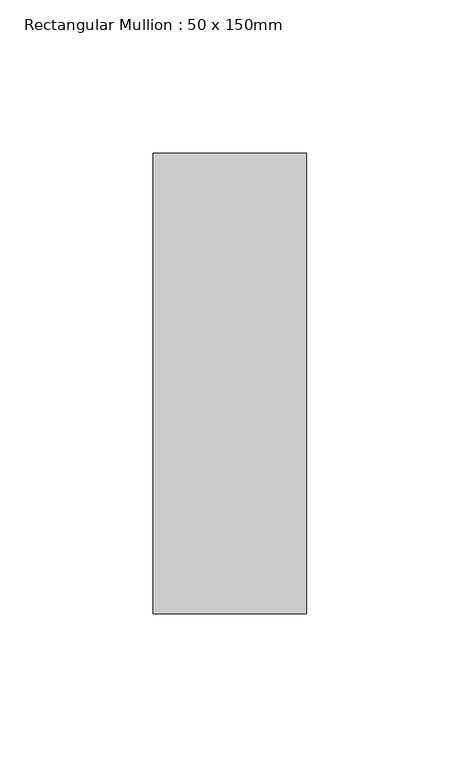
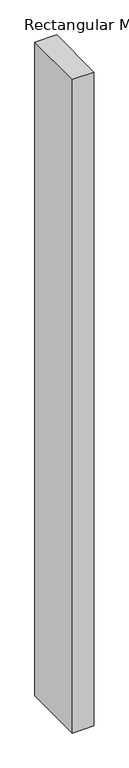
"""IFC4 building model written with IfcOpenShell, lengths in millimetres: member geometry, Rectangular Mullion : 50 x 150mm."""

from ifc_helpers import new_model, si_unit, frame, origin, place, context, project, spatial, polyline, outline, extrude, source, transform, mapped, element, save


def rectangular_mullion_50_x_150mm_6bb3ef57(model_context):
    return source(origin(), model_context, "Body", "SweptSolid", [
        extrude(outline(polyline([(0.0, 75.0), (0.0, -75.0), (-50.0, -75.0), (-50.0, 75.0), (0.0, 75.0)])), frame((0.0, 0.0, -1599.0418772), z_axis=(0.0, 0.0, 1.0), x_axis=(1.0, 0.0, 0.0)), (0.0, 0.0, 1.0), 1599.0418772),
    ])


if __name__ == "__main__":
    model = new_model("IFC4")
    model_context = context("Model", 3, world=origin())
    ifc_project = project(units=[si_unit("LENGTHUNIT", "METRE", prefix="MILLI")], contexts=[model_context])
    site = spatial("IfcSite", under=ifc_project)
    building = spatial("IfcBuilding", under=site)
    placement = place(None, origin())
    rectangular_mullion_50_x_150mm_shape = rectangular_mullion_50_x_150mm_6bb3ef57(model_context)
    element("IfcMember", 1, ObjectType="Rectangular Mullion : 50 x 150mm", at=placement, inside=building, context=model_context, shape_type="MappedRepresentation", body=[
        mapped(rectangular_mullion_50_x_150mm_shape, transform((0.0, 0.0, 0.0), x_axis=(1.0, 0.0, 0.0), y_axis=(0.0, 1.0, 0.0), z_axis=(0.0, 0.0, 1.0))),
    ])
    save(model, "model.ifc")
